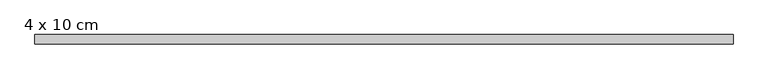
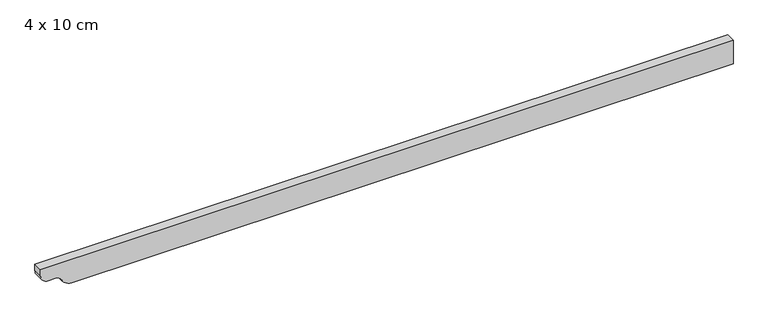
"""IFC4 building model written with IfcOpenShell, lengths in millimetres: beam geometry, 4 x 10 cm."""

from ifc_helpers import new_model, si_unit, point, frame, frame_2d, origin, place, context, project, spatial, polyline, circle_curve, trimmed, segment, composite_curve, outline, extrude, source, transform, mapped, element, save


def beam_4_x_10_cm_9567e025(model_context):
    return source(origin(), model_context, "Body", "SweptSolid", [
        extrude(outline(composite_curve([segment(polyline([(50.0, 1437.3475704), (50.0, -1477.0758164), (22.5, -1477.0758164)]), True, "CONTINUOUS"), segment(trimmed(circle_curve(frame_2d((22.5, -1444.5758164)), 32.5), [point((22.5, -1477.0758164))], [point((-10.0, -1444.5758164))], False, "CARTESIAN"), True, "CONTINUOUS"), segment(polyline([(-10.0, -1444.5758164), (-10.0, -1413.5656112)]), True, "CONTINUOUS"), segment(trimmed(circle_curve(frame_2d((-40.0, -1413.5656112)), 30.0), [point((-10.0, -1413.5656112))], [point((-34.0, -1384.1717343))], True, "CARTESIAN"), True, "CONTINUOUS"), segment(trimmed(circle_curve(frame_2d((-3.1535049, -1344.8208292)), 50.0), [point((-34.0, -1384.1717343))], [point((-53.1535049, -1344.8208292))], False, "CARTESIAN"), True, "CONTINUOUS"), segment(polyline([(-53.1535049, -1344.8208292), (-53.1535049, 1437.3475704), (50.0, 1437.3475704)]), True, "CONTINUOUS")], self_intersect=False)), frame((0.0, -20.0, 0.0), z_axis=(0.0, 1.0, 0.0), x_axis=(0.0, 0.0, 1.0)), (0.0, 0.0, 1.0), 40.0),
    ])


if __name__ == "__main__":
    model = new_model("IFC4")
    model_context = context("Model", 3, world=origin())
    ifc_project = project(units=[si_unit("LENGTHUNIT", "METRE", prefix="MILLI")], contexts=[model_context])
    site = spatial("IfcSite", under=ifc_project)
    building = spatial("IfcBuilding", under=site)
    placement = place(None, origin())
    beam_4_x_10_cm_shape = beam_4_x_10_cm_9567e025(model_context)
    element("IfcBeam", 1, ObjectType="4 x 10 cm", at=placement, inside=building, context=model_context, shape_type="MappedRepresentation", body=[
        mapped(beam_4_x_10_cm_shape, transform((0.0, 0.0, 0.0), x_axis=(1.0, 0.0, 0.0), y_axis=(0.0, 1.0, 0.0), z_axis=(0.0, 0.0, 1.0))),
    ])
    save(model, "model.ifc")
